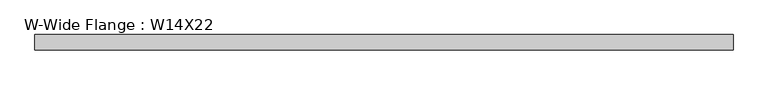
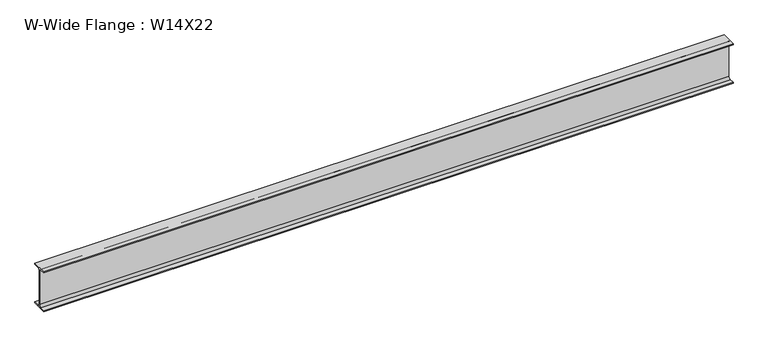
"""IFC4 building model written with IfcOpenShell, lengths in millimetres: beam geometry, W-Wide Flange : W14X22."""

from ifc_helpers import new_model, si_unit, point, frame, frame_2d, origin, place, context, project, spatial, polyline, circle_curve, trimmed, segment, composite_curve, outline, extrude, source, transform, mapped, element, save


def w_wide_flange_w14x22_0fa899c2(model_context):
    return source(origin(), model_context, "Body", "SweptSolid", [
        extrude(outline(composite_curve([segment(polyline([(63.5, -165.4472656), (63.5, -173.9800781), (-63.5, -173.9800781), (-63.5, -165.4472656), (-21.3816406, -165.4472656)]), True, "CONTINUOUS"), segment(trimmed(circle_curve(frame_2d((-21.3816406, -146.9925781)), 18.4546875), [point((-21.3816406, -165.4472656))], [point((-2.9269531, -146.9925781))], True, "CARTESIAN"), True, "CONTINUOUS"), segment(polyline([(-2.9269531, -146.9925781), (-2.9269531, 146.9925781)]), True, "CONTINUOUS"), segment(trimmed(circle_curve(frame_2d((-21.3816406, 146.9925781)), 18.4546875), [point((-2.9269531, 146.9925781))], [point((-21.3816406, 165.4472656))], True, "CARTESIAN"), True, "CONTINUOUS"), segment(polyline([(-21.3816406, 165.4472656), (-63.5, 165.4472656), (-63.5, 173.9800781), (63.5, 173.9800781), (63.5, 165.4472656), (21.3816406, 165.4472656)]), True, "CONTINUOUS"), segment(trimmed(circle_curve(frame_2d((21.3816406, 146.9925781)), 18.4546875), [point((21.3816406, 165.4472656))], [point((2.9269531, 146.9925781))], True, "CARTESIAN"), True, "CONTINUOUS"), segment(polyline([(2.9269531, 146.9925781), (2.9269531, -146.9925781)]), True, "CONTINUOUS"), segment(trimmed(circle_curve(frame_2d((21.3816406, -146.9925781)), 18.4546875), [point((2.9269531, -146.9925781))], [point((21.3816406, -165.4472656))], True, "CARTESIAN"), True, "CONTINUOUS"), segment(polyline([(21.3816406, -165.4472656), (63.5, -165.4472656)]), True, "CONTINUOUS")], self_intersect=False)), frame((-2851.15, 0.0, 0.0), z_axis=(1.0, 0.0, 0.0), x_axis=(0.0, 1.0, 0.0)), (0.0, 0.0, 1.0), 5715.0),
    ])


if __name__ == "__main__":
    model = new_model("IFC4")
    model_context = context("Model", 3, world=origin())
    ifc_project = project(units=[si_unit("LENGTHUNIT", "METRE", prefix="MILLI")], contexts=[model_context])
    site = spatial("IfcSite", under=ifc_project)
    building = spatial("IfcBuilding", under=site)
    placement = place(None, origin())
    w_wide_flange_w14x22_shape = w_wide_flange_w14x22_0fa899c2(model_context)
    element("IfcBeam", 1, ObjectType="W-Wide Flange : W14X22", at=placement, inside=building, context=model_context, shape_type="MappedRepresentation", body=[
        mapped(w_wide_flange_w14x22_shape, transform((0.0, 0.0, 0.0), x_axis=(1.0, 0.0, 0.0), y_axis=(0.0, 1.0, 0.0), z_axis=(0.0, 0.0, 1.0))),
    ])
    save(model, "model.ifc")
